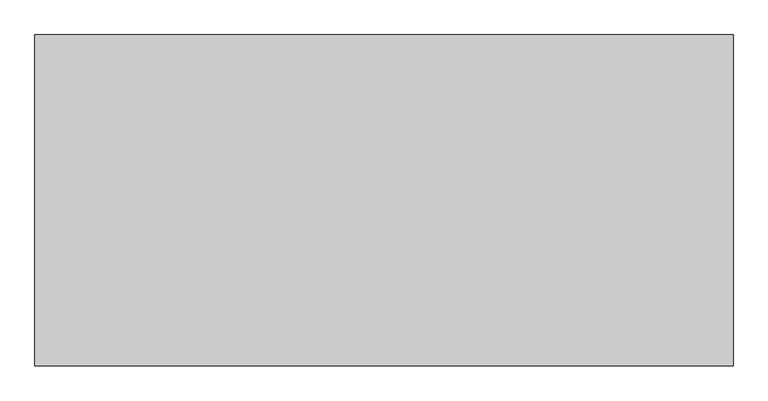
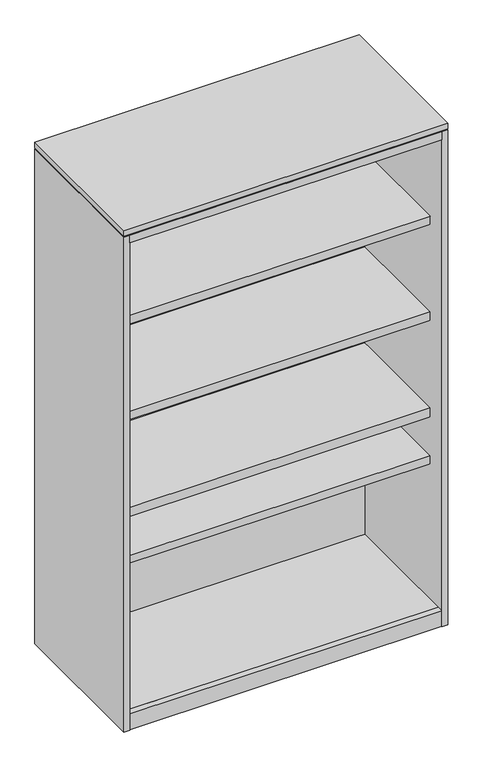
"""IFC4 building model written with IfcOpenShell, lengths in millimetres: furniture geometry."""

from ifc_helpers import new_model, si_unit, frame, origin, origin_with_axes, place, context, project, spatial, polyline, outline, extrude, source, transform, mapped, element, save


def furniture_de026d55(model_context):
    return source(origin(), model_context, "Body", "SweptSolid", [
        extrude(outline(polyline([(1043.61488, -66.55562), (20.01012, -66.55562), (20.01012, -49.20488), (1043.61488, -49.20488), (1043.61488, -66.55562)])), frame((0.0, 0.0, 1387.5512), z_axis=(0.0, 0.0, 1.0), x_axis=(1.0, 0.0, 0.0)), (0.0, 0.0, 1.0), 139.192),
        extrude(outline(polyline([(1043.61488, -438.26938), (20.01012, -438.26938), (20.01012, -66.55562), (1043.61488, -66.55562), (1043.61488, -438.26938)])), frame((0.0, 0.0, 1359.11336), z_axis=(0.0, 0.0, 1.0), x_axis=(1.0, 0.0, 0.0)), (0.0, 0.0, 1.0), 28.43784),
        extrude(outline(polyline([(1043.61488, -66.55562), (20.01012, -66.55562), (20.01012, -49.20488), (1043.61488, -49.20488), (1043.61488, -66.55562)])), frame((0.0, 0.0, 1054.9636), z_axis=(0.0, 0.0, 1.0), x_axis=(1.0, 0.0, 0.0)), (0.0, 0.0, 1.0), 139.192),
        extrude(outline(polyline([(1043.61488, -438.26938), (20.01012, -438.26938), (20.01012, -66.55562), (1043.61488, -66.55562), (1043.61488, -438.26938)])), frame((0.0, 0.0, 1026.52576), z_axis=(0.0, 0.0, 1.0), x_axis=(1.0, 0.0, 0.0)), (0.0, 0.0, 1.0), 28.43784),
        extrude(outline(polyline([(1043.61488, -66.55562), (20.01012, -66.55562), (20.01012, -49.20488), (1043.61488, -49.20488), (1043.61488, -66.55562)])), frame((0.0, 0.0, 58.7502), z_axis=(0.0, 0.0, 1.0), x_axis=(1.0, 0.0, 0.0)), (0.0, 0.0, 1.0), 467.89594),
        extrude(outline(polyline([(1043.61488, -438.26938), (20.01012, -438.26938), (20.01012, -66.55562), (1043.61488, -66.55562), (1043.61488, -438.26938)])), frame((0.0, 0.0, 529.16328), z_axis=(0.0, 0.0, 1.0), x_axis=(1.0, 0.0, 0.0)), (0.0, 0.0, 1.0), 26.92146),
        extrude(outline(polyline([(1043.61488, -438.26938), (20.01012, -438.26938), (20.01012, -66.55562), (1043.61488, -66.55562), (1043.61488, -438.26938)])), frame((0.0, 0.0, 690.7657), z_axis=(0.0, 0.0, 1.0), x_axis=(1.0, 0.0, 0.0)), (0.0, 0.0, 1.0), 31.6103),
        extrude(outline(polyline([(1043.61488, -66.55562), (20.01012, -66.55562), (20.01012, -49.20488), (1043.61488, -49.20488), (1043.61488, -66.55562)])), frame((0.0, 0.0, 722.376), z_axis=(0.0, 0.0, 1.0), x_axis=(1.0, 0.0, 0.0)), (0.0, 0.0, 1.0), 139.192),
        extrude(outline(polyline([(1043.61488, -504.825), (20.01012, -504.825), (20.01012, -2.54), (1043.61488, -2.54), (1043.61488, -504.825)])), frame((0.0, 0.0, 1693.2148), z_axis=(0.0, 0.0, 1.0), x_axis=(1.0, 0.0, 0.0)), (0.0, 0.0, 1.0), 26.924),
        extrude(outline(polyline([(1043.61488, -483.9335), (1043.61488, -503.2375), (20.01012, -503.2375), (20.01012, -483.9335), (1043.61488, -483.9335)])), frame((0.0, 0.0, 3.5814), z_axis=(0.0, 0.0, 1.0), x_axis=(1.0, 0.0, 0.0)), (0.0, 0.0, 1.0), 55.1688),
        extrude(outline(polyline([(44.5897, -26.1874), (60.2488, -35.2281856), (60.2488, -53.3097568), (44.5897, -62.3505424), (28.9306, -53.3097568), (28.9306, -35.2281856), (44.5897, -26.1874)])), origin_with_axes(), (0.0, 0.0, 1.0), 8.4328),
        extrude(outline(polyline([(44.5897, -478.6376), (28.9306, -469.5968144), (28.9306, -451.5152432), (44.5897, -442.4744576), (60.2488, -451.5152432), (60.2488, -469.5968144), (44.5897, -478.6376)])), origin_with_axes(), (0.0, 0.0, 1.0), 8.4328),
        extrude(outline(polyline([(1019.0353, -26.1874), (1034.6944, -35.2281856), (1034.6944, -53.3097568), (1019.0353, -62.3505424), (1003.3762, -53.3097568), (1003.3762, -35.2281856), (1019.0353, -26.1874)])), origin_with_axes(), (0.0, 0.0, 1.0), 8.4328),
        extrude(outline(polyline([(1019.0353, -478.6376), (1003.3762, -469.5968144), (1003.3762, -451.5152432), (1019.0353, -442.4744576), (1034.6944, -451.5152432), (1034.6944, -469.5968144), (1019.0353, -478.6376)])), origin_with_axes(), (0.0, 0.0, 1.0), 8.4328),
        extrude(outline(polyline([(1063.625, -504.825), (0.0, -504.825), (0.0, 0.0), (1063.625, 0.0), (1063.625, -504.825)])), frame((0.0, 0.0, 1723.6948), z_axis=(0.0, 0.0, 1.0), x_axis=(1.0, 0.0, 0.0)), (0.0, 0.0, 1.0), 19.304),
        extrude(outline(polyline([(1043.61488, 0.0), (1043.61488, -483.9335), (21.59762, -483.9335), (21.59762, 0.0), (1043.61488, 0.0)])), frame((0.0, 0.0, 3.5814), z_axis=(0.0, 0.0, 1.0), x_axis=(1.0, 0.0, 0.0)), (0.0, 0.0, 1.0), 55.1688),
        extrude(outline(polyline([(20.01012, -504.825), (0.0, -504.825), (0.0, 0.0), (20.01012, 0.0), (20.01012, -504.825)])), frame((0.0, 0.0, 3.5814), z_axis=(0.0, 0.0, 1.0), x_axis=(1.0, 0.0, 0.0)), (0.0, 0.0, 1.0), 1716.5574),
        extrude(outline(polyline([(1063.625, -504.825), (1043.61488, -504.825), (1043.61488, 0.0), (1063.625, 0.0), (1063.625, -504.825)])), frame((0.0, 0.0, 3.5814), z_axis=(0.0, 0.0, 1.0), x_axis=(1.0, 0.0, 0.0)), (0.0, 0.0, 1.0), 1716.5574),
    ])


if __name__ == "__main__":
    model = new_model("IFC4")
    model_context = context("Model", 3, world=origin())
    ifc_project = project(units=[si_unit("LENGTHUNIT", "METRE", prefix="MILLI")], contexts=[model_context])
    site = spatial("IfcSite", under=ifc_project)
    building = spatial("IfcBuilding", under=site)
    placement = place(None, origin())
    furniture_shape = furniture_de026d55(model_context)
    element("IfcFurniture", 1, at=placement, inside=building, context=model_context, shape_type="MappedRepresentation", body=[
        mapped(furniture_shape, transform((0.0, 0.0, 0.0), x_axis=(1.0, 0.0, 0.0), y_axis=(0.0, 1.0, 0.0), z_axis=(0.0, 0.0, 1.0))),
    ])
    save(model, "model.ifc")
